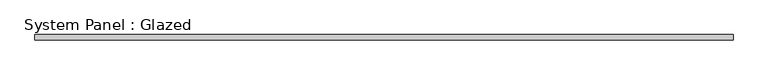
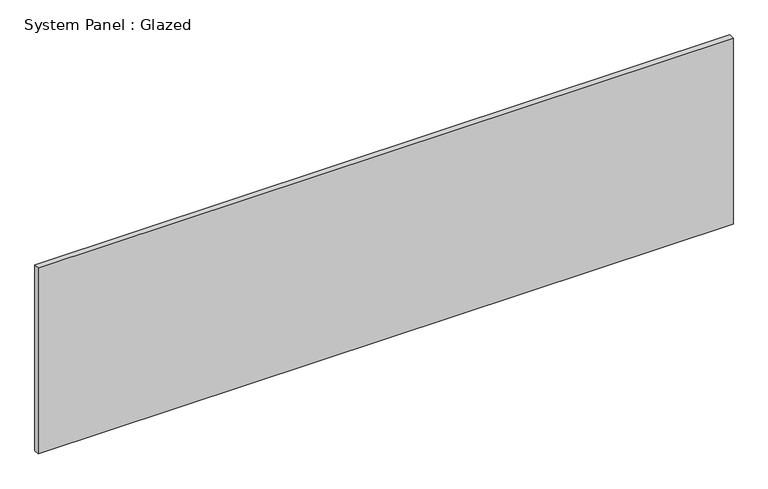
"""IFC4 building model written with IfcOpenShell, lengths in millimetres: plate geometry, System Panel : Glazed."""

from ifc_helpers import new_model, si_unit, origin, origin_with_axes, place, context, project, spatial, polyline, outline, extrude, source, transform, mapped, element, save


def system_panel_glazed_dd602109(model_context):
    return source(origin(), model_context, "Body", "SweptSolid", [
        extrude(outline(polyline([(1590.1429847, 24.5), (-1590.1429847, 24.5), (-1590.1429847, 49.5), (1590.1429847, 49.5), (1590.1429847, 24.5)])), origin_with_axes(), (0.0, 0.0, 1.0), 900.0),
    ])


if __name__ == "__main__":
    model = new_model("IFC4")
    model_context = context("Model", 3, world=origin())
    ifc_project = project(units=[si_unit("LENGTHUNIT", "METRE", prefix="MILLI")], contexts=[model_context])
    site = spatial("IfcSite", under=ifc_project)
    building = spatial("IfcBuilding", under=site)
    placement = place(None, origin())
    system_panel_glazed_shape = system_panel_glazed_dd602109(model_context)
    element("IfcPlate", 1, ObjectType="System Panel : Glazed", at=placement, inside=building, context=model_context, shape_type="MappedRepresentation", body=[
        mapped(system_panel_glazed_shape, transform((0.0, 0.0, 0.0), x_axis=(1.0, 0.0, 0.0), y_axis=(0.0, 1.0, 0.0), z_axis=(0.0, 0.0, 1.0))),
    ])
    save(model, "model.ifc")
